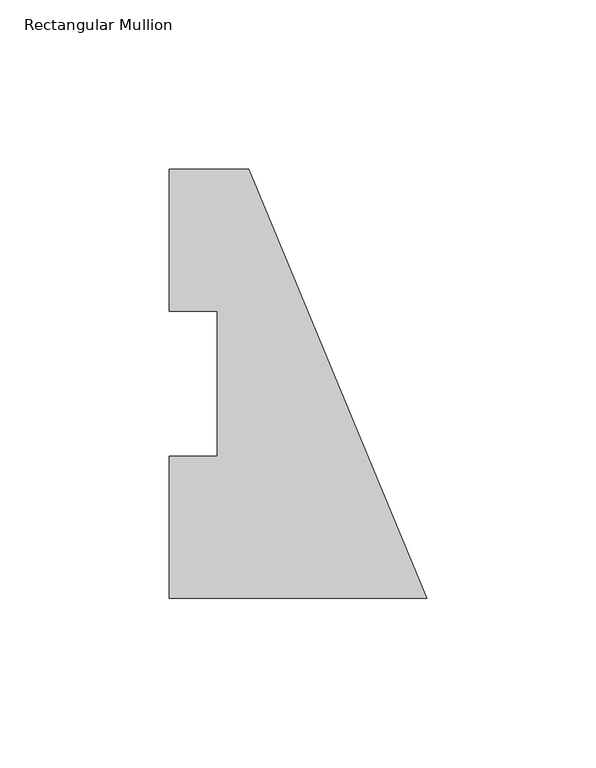
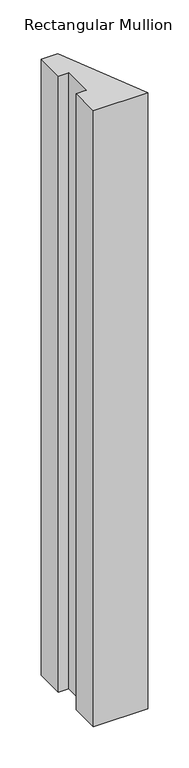
"""IFC4 building model written with IfcOpenShell, lengths in millimetres: member geometry, Rectangular Mullion."""

from ifc_helpers import new_model, si_unit, frame, origin, place, context, project, spatial, polyline, outline, extrude, source, transform, mapped, element, save


def rectangular_mullion_cb6ce32b(model_context):
    return source(origin(), model_context, "Body", "SweptSolid", [
        extrude(outline(polyline([(-76.2, -0.2913062), (-76.2, 41.7837938), (-61.9125, 41.7837938), (-61.9125, 84.6335938), (-76.2, 84.6335938), (-76.2, 126.7086938), (-52.6051224, 126.7086938), (0.0, -0.2913062), (-76.2, -0.2913062)])), frame((0.0, 0.0, -914.4), z_axis=(0.0, 0.0, 1.0), x_axis=(1.0, 0.0, 0.0)), (0.0, 0.0, 1.0), 914.4),
    ])


if __name__ == "__main__":
    model = new_model("IFC4")
    model_context = context("Model", 3, world=origin())
    ifc_project = project(units=[si_unit("LENGTHUNIT", "METRE", prefix="MILLI")], contexts=[model_context])
    site = spatial("IfcSite", under=ifc_project)
    building = spatial("IfcBuilding", under=site)
    placement = place(None, origin())
    rectangular_mullion_shape = rectangular_mullion_cb6ce32b(model_context)
    element("IfcMember", 1, ObjectType="Rectangular Mullion", at=placement, inside=building, context=model_context, shape_type="MappedRepresentation", body=[
        mapped(rectangular_mullion_shape, transform((0.0, 0.0, 0.0), x_axis=(1.0, 0.0, 0.0), y_axis=(0.0, 1.0, 0.0), z_axis=(0.0, 0.0, 1.0))),
    ])
    save(model, "model.ifc")
